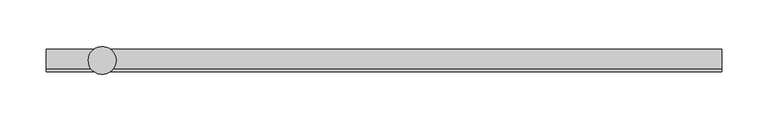
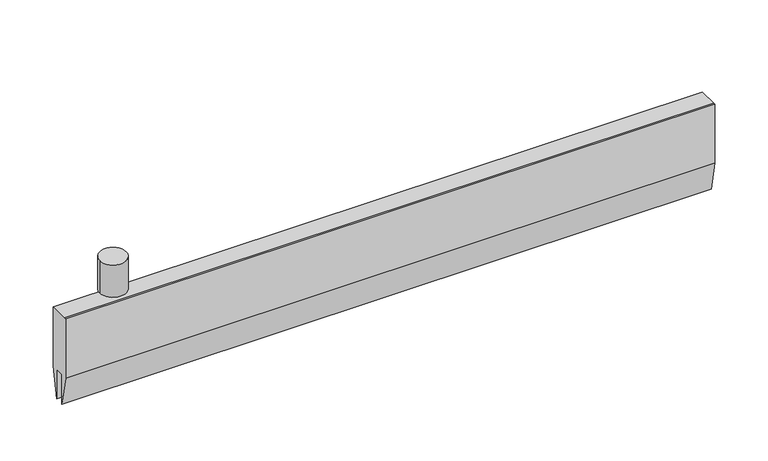
"""IFC4 building model written with IfcOpenShell, lengths in millimetres: proxy geometry."""

from ifc_helpers import new_model, si_unit, point, frame, origin, origin_2d, place, context, project, spatial, polyline, circle_curve, trimmed, segment, composite_curve, outline, extrude, source, transform, mapped, element, save


def specialty_equipment_ac2ee760(model_context):
    return source(origin(), model_context, "Body", "SweptSolid", [
        extrude(outline(polyline([(12.0, 49.0), (12.0, -21.0), (5.0, -56.0), (5.0, -21.0), (-5.0, -21.0), (-5.0, -56.0), (-12.0, -21.0), (-12.0, 49.0), (-9.692747, 49.0), (12.0, 49.0)])), frame((-60.0, 0.0, 0.0), z_axis=(1.0, 0.0, 0.0), x_axis=(0.0, 1.0, 0.0)), (0.0, 0.0, 1.0), 726.6731661),
        extrude(outline(composite_curve([segment(trimmed(circle_curve(origin_2d(), 15.0), [point((-15.0, 0.0))], [point((15.0, 0.0))], False, "CARTESIAN"), True, "CONTINUOUS"), segment(trimmed(circle_curve(origin_2d(), 15.0), [point((15.0, 0.0))], [point((-15.0, 0.0))], False, "CARTESIAN"), True, "CONTINUOUS")], self_intersect=False)), frame((0.0, 0.0, 57.0), z_axis=(0.0, 0.0, 1.0), x_axis=(1.0, 0.0, 0.0)), (0.0, 0.0, 1.0), 38.0),
    ])


if __name__ == "__main__":
    model = new_model("IFC4")
    model_context = context("Model", 3, world=origin())
    ifc_project = project(units=[si_unit("LENGTHUNIT", "METRE", prefix="MILLI")], contexts=[model_context])
    site = spatial("IfcSite", under=ifc_project)
    building = spatial("IfcBuilding", under=site)
    placement = place(None, origin())
    specialty_equipment_shape = specialty_equipment_ac2ee760(model_context)
    element("IfcBuildingElementProxy", 1, Name="Specialty Equipment", at=placement, inside=building, context=model_context, shape_type="MappedRepresentation", body=[
        mapped(specialty_equipment_shape, transform((0.0, 0.0, 0.0), x_axis=(1.0, 0.0, 0.0), y_axis=(0.0, 1.0, 0.0), z_axis=(0.0, 0.0, 1.0))),
    ])
    save(model, "model.ifc")
